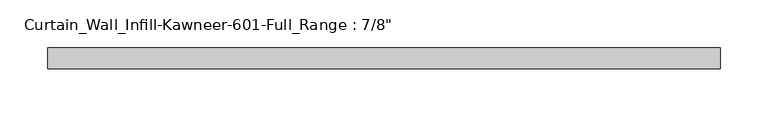
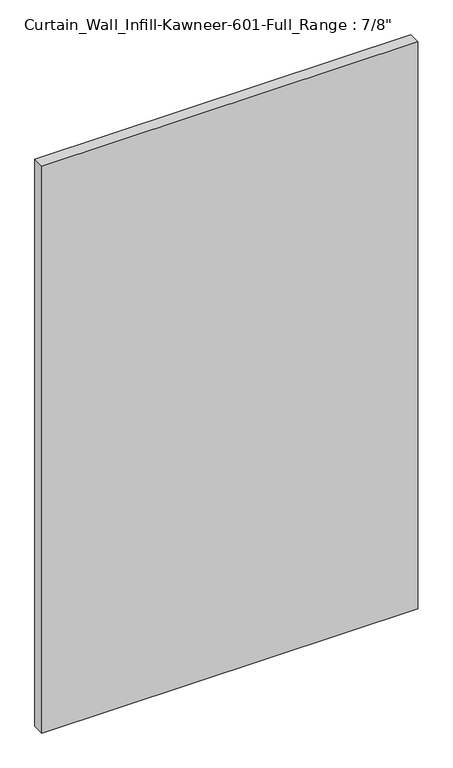
"""IFC4 building model written with IfcOpenShell, lengths in millimetres: plate geometry."""

from ifc_helpers import new_model, si_unit, origin, origin_with_axes, place, context, project, spatial, polyline, outline, extrude, source, transform, mapped, element, save


def plate_7a5fe301(model_context):
    return source(origin(), model_context, "Body", "SweptSolid", [
        extrude(outline(polyline([(-352.425, 11.1125), (352.425, 11.1125), (352.425, -11.1125), (-352.425, -11.1125), (-352.425, 11.1125)])), origin_with_axes(), (0.0, 0.0, 1.0), 1123.95),
    ])


if __name__ == "__main__":
    model = new_model("IFC4")
    model_context = context("Model", 3, world=origin())
    ifc_project = project(units=[si_unit("LENGTHUNIT", "METRE", prefix="MILLI")], contexts=[model_context])
    site = spatial("IfcSite", under=ifc_project)
    building = spatial("IfcBuilding", under=site)
    placement = place(None, origin())
    plate_shape = plate_7a5fe301(model_context)
    element("IfcPlate", 1, ObjectType="Curtain_Wall_Infill-Kawneer-601-Full_Range : 7/8\"", at=placement, inside=building, context=model_context, shape_type="MappedRepresentation", body=[
        mapped(plate_shape, transform((0.0, 0.0, 0.0), x_axis=(1.0, 0.0, 0.0), y_axis=(0.0, 1.0, 0.0), z_axis=(0.0, 0.0, 1.0))),
    ])
    save(model, "model.ifc")
